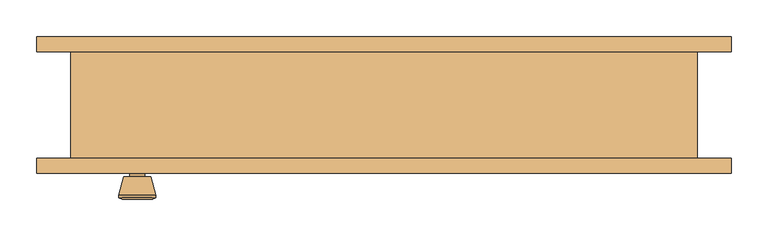
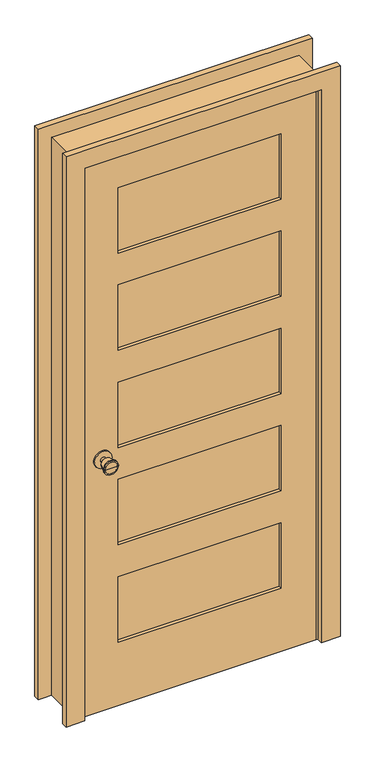
"""IFC4 building model written with IfcOpenShell, lengths in millimetres: door geometry."""

from ifc_helpers import new_model, si_unit, point, frame, frame_2d, origin, place, context, project, spatial, polyline, circle_curve, trimmed, segment, composite_curve, outline, extrude, faceted_brep, source, transform, mapped, element, save
from ifc_brep_helpers import plane_surface, cylinder_surface, revolved_surface, advanced_brep


def door_da6d39d5(model_context):
    return source(origin(), model_context, "Body", "SolidModel", [
        advanced_brep(
        [(-335.0, -28.325, 914.4), (-345.0, -28.325, 914.4), (-325.0, -28.325, 914.4), (-314.5241324, 20.675, 914.4), (-355.4758676, 20.675, 914.4), (-335.0, 20.675, 914.4), (-310.0, 18.8471319, 914.4), (-360.0, 18.8471319, 914.4), (-310.0, 15.3834537, 914.4), (-360.0, 15.3834537, 914.4), (-316.363764, -9.325, 914.4), (-353.636236, -9.325, 914.4), (-325.0, -9.325, 914.4), (-345.0, -9.325, 914.4)],
        [
            (0, 1),
            (1, 2, circle_curve(frame((-335.0, -28.325, 914.4), z_axis=(0.0, -1.0, 0.0), x_axis=(-1.0, 0.0, 0.0)), 10.0)),
            (2, 0),
            (2, 1, circle_curve(frame((-335.0, -28.325, 914.4), z_axis=(0.0, -1.0, 0.0), x_axis=(-1.0, 0.0, 0.0)), 10.0)),
            (3, 4, circle_curve(frame((-335.0, 20.675, 914.4), z_axis=(0.0, 1.0, 0.0), x_axis=(-1.0, 0.0, 0.0)), 20.4758676)),
            (4, 5),
            (5, 3),
            (4, 3, circle_curve(frame((-335.0, 20.675, 914.4), z_axis=(0.0, 1.0, 0.0), x_axis=(-1.0, 0.0, 0.0)), 20.4758676)),
            (6, 7, circle_curve(frame((-335.0, 18.8471319, 914.4), z_axis=(0.0, 1.0, 0.0), x_axis=(-1.0, 0.0, 0.0)), 25.0)),
            (7, 4),
            (3, 6),
            (7, 6, circle_curve(frame((-335.0, 18.8471319, 914.4), z_axis=(0.0, 1.0, 0.0), x_axis=(-1.0, 0.0, 0.0)), 25.0)),
            (8, 9, circle_curve(frame((-335.0, 15.3834537, 914.4), z_axis=(0.0, 1.0, 0.0), x_axis=(-1.0, 0.0, 0.0)), 25.0)),
            (9, 7),
            (6, 8),
            (9, 8, circle_curve(frame((-335.0, 15.3834537, 914.4), z_axis=(0.0, 1.0, 0.0), x_axis=(-1.0, 0.0, 0.0)), 25.0)),
            (10, 11, circle_curve(frame((-335.0, -9.325, 914.4), z_axis=(0.0, 1.0, 0.0), x_axis=(-1.0, 0.0, 0.0)), 18.636236)),
            (11, 9),
            (8, 10),
            (11, 10, circle_curve(frame((-335.0, -9.325, 914.4), z_axis=(0.0, 1.0, 0.0), x_axis=(-1.0, 0.0, 0.0)), 18.636236)),
            (12, 13, circle_curve(frame((-335.0, -9.325, 914.4), z_axis=(0.0, 1.0, 0.0), x_axis=(-1.0, 0.0, 0.0)), 10.0)),
            (13, 11),
            (10, 12),
            (13, 12, circle_curve(frame((-335.0, -9.325, 914.4), z_axis=(0.0, 1.0, 0.0), x_axis=(-1.0, 0.0, 0.0)), 10.0)),
            (1, 13),
            (12, 2),
        ],
        [
            plane_surface(frame((-335.0, -28.325, 914.4), z_axis=(0.0, -1.0, 0.0), x_axis=(-1.0, 0.0, 0.0))),
            plane_surface(frame((-335.0, 20.675, 914.4), z_axis=(0.0, 1.0, 0.0), x_axis=(-1.0, 0.0, 0.0))),
            revolved_surface(polyline([(-355.4758676, 20.675, 914.4), (-360.0, 18.8471319, 914.4)]), (-335.0, -28.325, 914.4), (0.0, -1.0, 0.0)),
            cylinder_surface(frame((-335.0, -28.325, 914.4), z_axis=(0.0, -1.0, 0.0), x_axis=(-1.0, 0.0, 0.0)), 25.0),
            revolved_surface(polyline([(-360.0, 15.3834537, 914.4), (-353.636236, -9.325, 914.4)]), (-335.0, -28.325, 914.4), (0.0, -1.0, 0.0)),
            plane_surface(frame((-335.0, -9.325, 914.4), z_axis=(0.0, -1.0, 0.0), x_axis=(-1.0, 0.0, 0.0))),
            cylinder_surface(frame((-335.0, -28.325, 914.4), z_axis=(0.0, -1.0, 0.0), x_axis=(-1.0, 0.0, 0.0)), 10.0),
        ],
        [
            (0, [[1, 2, 3]]),
            (0, [[-3, 4, -1]]),
            (1, [[5, 6, 7]]),
            (1, [[8, -7, -6]]),
            (2, [[9, 10, -5, 11]]),
            (2, [[12, -11, -8, -10]]),
            (3, [[13, 14, -9, 15]]),
            (3, [[16, -15, -12, -14]]),
            (4, [[17, 18, -13, 19]]),
            (4, [[20, -19, -16, -18]]),
            (5, [[21, 22, -17, 23]]),
            (5, [[24, -23, -20, -22]]),
            (6, [[-2, 25, -21, 26]]),
            (6, [[-4, -26, -24, -25]]),
        ],
    ),
        extrude(outline(composite_curve([segment(trimmed(circle_curve(frame_2d((914.4, -335.0)), 30.0), [point((914.4, -365.0))], [point((914.4, -305.0))], False, "CARTESIAN"), True, "CONTINUOUS"), segment(trimmed(circle_curve(frame_2d((914.4, -335.0)), 30.0), [point((914.4, -305.0))], [point((914.4, -365.0))], False, "CARTESIAN"), True, "CONTINUOUS")], self_intersect=False)), frame((0.0, -34.325, 0.0), z_axis=(0.0, 1.0, 0.0), x_axis=(0.0, 0.0, 1.0)), (0.0, 0.0, 1.0), 6.0),
        advanced_brep(
        [(-335.0, -75.325, 914.4), (-325.0, -75.325, 914.4), (-345.0, -75.325, 914.4), (-314.5241324, -124.325, 914.4), (-335.0, -124.325, 914.4), (-355.4758676, -124.325, 914.4), (-310.0, -122.4971319, 914.4), (-360.0, -122.4971319, 914.4), (-310.0, -119.0334537, 914.4), (-360.0, -119.0334537, 914.4), (-316.363764, -94.325, 914.4), (-353.636236, -94.325, 914.4), (-325.0, -94.325, 914.4), (-345.0, -94.325, 914.4)],
        [
            (0, 1),
            (1, 2, circle_curve(frame((-335.0, -75.325, 914.4), z_axis=(0.0, 1.0, 0.0), x_axis=(-1.0, 0.0, 0.0)), 10.0)),
            (2, 0),
            (2, 1, circle_curve(frame((-335.0, -75.325, 914.4), z_axis=(0.0, 1.0, 0.0), x_axis=(-1.0, 0.0, 0.0)), 10.0)),
            (3, 4),
            (4, 5),
            (5, 3, circle_curve(frame((-335.0, -124.325, 914.4), z_axis=(0.0, -1.0, 0.0), x_axis=(-1.0, 0.0, 0.0)), 20.4758676)),
            (3, 5, circle_curve(frame((-335.0, -124.325, 914.4), z_axis=(0.0, -1.0, 0.0), x_axis=(-1.0, 0.0, 0.0)), 20.4758676)),
            (6, 3),
            (5, 7),
            (7, 6, circle_curve(frame((-335.0, -122.4971319, 914.4), z_axis=(0.0, -1.0, 0.0), x_axis=(-1.0, 0.0, 0.0)), 25.0)),
            (6, 7, circle_curve(frame((-335.0, -122.4971319, 914.4), z_axis=(0.0, -1.0, 0.0), x_axis=(-1.0, 0.0, 0.0)), 25.0)),
            (8, 6),
            (7, 9),
            (9, 8, circle_curve(frame((-335.0, -119.0334537, 914.4), z_axis=(0.0, -1.0, 0.0), x_axis=(-1.0, 0.0, 0.0)), 25.0)),
            (8, 9, circle_curve(frame((-335.0, -119.0334537, 914.4), z_axis=(0.0, -1.0, 0.0), x_axis=(-1.0, 0.0, 0.0)), 25.0)),
            (10, 8),
            (9, 11),
            (11, 10, circle_curve(frame((-335.0, -94.325, 914.4), z_axis=(0.0, -1.0, 0.0), x_axis=(-1.0, 0.0, 0.0)), 18.636236)),
            (10, 11, circle_curve(frame((-335.0, -94.325, 914.4), z_axis=(0.0, -1.0, 0.0), x_axis=(-1.0, 0.0, 0.0)), 18.636236)),
            (12, 10),
            (11, 13),
            (13, 12, circle_curve(frame((-335.0, -94.325, 914.4), z_axis=(0.0, -1.0, 0.0), x_axis=(-1.0, 0.0, 0.0)), 10.0)),
            (12, 13, circle_curve(frame((-335.0, -94.325, 914.4), z_axis=(0.0, -1.0, 0.0), x_axis=(-1.0, 0.0, 0.0)), 10.0)),
            (1, 12),
            (13, 2),
        ],
        [
            plane_surface(frame((-335.0, -75.325, 914.4), z_axis=(0.0, 1.0, 0.0), x_axis=(-1.0, 0.0, 0.0))),
            plane_surface(frame((-335.0, -124.325, 914.4), z_axis=(0.0, -1.0, 0.0), x_axis=(-1.0, 0.0, 0.0))),
            revolved_surface(polyline([(-355.4758676, -124.325, 914.4), (-360.0, -122.4971319, 914.4)]), (-335.0, -75.325, 914.4), (0.0, 1.0, 0.0)),
            cylinder_surface(frame((-335.0, -75.325, 914.4), z_axis=(0.0, 1.0, 0.0), x_axis=(-1.0, 0.0, 0.0)), 25.0),
            revolved_surface(polyline([(-360.0, -119.0334537, 914.4), (-353.636236, -94.325, 914.4)]), (-335.0, -75.325, 914.4), (0.0, 1.0, 0.0)),
            plane_surface(frame((-335.0, -94.325, 914.4), z_axis=(0.0, 1.0, 0.0), x_axis=(-1.0, 0.0, 0.0))),
            cylinder_surface(frame((-335.0, -75.325, 914.4), z_axis=(0.0, 1.0, 0.0), x_axis=(-1.0, 0.0, 0.0)), 10.0),
        ],
        [
            (0, [[1, 2, 3]]),
            (0, [[-3, 4, -1]]),
            (1, [[5, 6, 7]]),
            (1, [[-6, -5, 8]]),
            (2, [[9, -7, 10, 11]]),
            (2, [[-10, -8, -9, 12]]),
            (3, [[13, -11, 14, 15]]),
            (3, [[-14, -12, -13, 16]]),
            (4, [[17, -15, 18, 19]]),
            (4, [[-18, -16, -17, 20]]),
            (5, [[21, -19, 22, 23]]),
            (5, [[-22, -20, -21, 24]]),
            (6, [[25, -23, 26, -2]]),
            (6, [[-26, -24, -25, -4]]),
        ],
    ),
        extrude(outline(composite_curve([segment(trimmed(circle_curve(frame_2d((914.4, -335.0)), 30.0), [point((914.4, -365.0))], [point((914.4, -305.0))], False, "CARTESIAN"), True, "CONTINUOUS"), segment(trimmed(circle_curve(frame_2d((914.4, -335.0)), 30.0), [point((914.4, -305.0))], [point((914.4, -365.0))], False, "CARTESIAN"), True, "CONTINUOUS")], self_intersect=False)), frame((0.0, -75.325, 0.0), z_axis=(0.0, 1.0, 0.0), x_axis=(0.0, 0.0, 1.0)), (0.0, 0.0, 1.0), 6.0),
        extrude(outline(polyline([(280.0, -45.9916667), (280.0, -57.6583333), (-280.0, -57.6583333), (-280.0, -45.9916667), (280.0, -45.9916667)])), frame((0.0, 0.0, 1642.0), z_axis=(0.0, 0.0, 1.0), x_axis=(1.0, 0.0, 0.0)), (0.0, 0.0, 1.0), 238.0),
        extrude(outline(polyline([(280.0, -45.9916667), (280.0, -57.6583333), (-280.0, -57.6583333), (-280.0, -45.9916667), (280.0, -45.9916667)])), frame((0.0, 0.0, 1289.0), z_axis=(0.0, 0.0, 1.0), x_axis=(1.0, 0.0, 0.0)), (0.0, 0.0, 1.0), 238.0),
        extrude(outline(polyline([(280.0, -45.9916667), (280.0, -57.6583333), (-280.0, -57.6583333), (-280.0, -45.9916667), (280.0, -45.9916667)])), frame((0.0, 0.0, 583.0), z_axis=(0.0, 0.0, 1.0), x_axis=(1.0, 0.0, 0.0)), (0.0, 0.0, 1.0), 238.0),
        extrude(outline(polyline([(280.0, -45.9916667), (280.0, -57.6583333), (-280.0, -57.6583333), (-280.0, -45.9916667), (280.0, -45.9916667)])), frame((0.0, 0.0, 230.0), z_axis=(0.0, 0.0, 1.0), x_axis=(1.0, 0.0, 0.0)), (0.0, 0.0, 1.0), 238.0),
        extrude(outline(polyline([(280.0, -45.9916667), (280.0, -57.6583333), (-280.0, -57.6583333), (-280.0, -45.9916667), (280.0, -45.9916667)])), frame((0.0, 0.0, 936.0), z_axis=(0.0, 0.0, 1.0), x_axis=(1.0, 0.0, 0.0)), (0.0, 0.0, 1.0), 238.0),
        extrude(outline(polyline([(2000.0, -400.0), (0.0, -400.0), (0.0, 400.0), (2000.0, 400.0), (2000.0, -400.0)]), holes=[polyline([(1880.0, -280.0), (1880.0, 280.0), (1642.0, 280.0), (1642.0, -280.0), (1880.0, -280.0)]), polyline([(468.0, -280.0), (468.0, 280.0), (230.0, 280.0), (230.0, -280.0), (468.0, -280.0)]), polyline([(1174.0, -280.0), (1174.0, 280.0), (936.0, 280.0), (936.0, -280.0), (1174.0, -280.0)]), polyline([(1527.0, -280.0), (1527.0, 280.0), (1289.0, 280.0), (1289.0, -280.0), (1527.0, -280.0)]), polyline([(821.0, -280.0), (821.0, 280.0), (583.0, 280.0), (583.0, -280.0), (821.0, -280.0)])]), frame((0.0, -69.325, 0.0), z_axis=(0.0, 1.0, 0.0), x_axis=(0.0, 0.0, 1.0)), (0.0, 0.0, 1.0), 35.0),
        faceted_brep([(425.0, -69.325, 0.0), (400.0, -69.325, 0.0), (400.0, -34.325, 0.0), (387.3, -34.325, 0.0), (387.3, 0.6, 0.0), (400.0, 0.6, 0.0), (400.0, 75.675, 0.0), (425.0, 75.675, 0.0), (425.0, 75.675, 2025.0), (425.0, -69.325, 2025.0), (400.0, 75.675, 2000.0), (-400.0, 75.675, 2000.0), (-400.0, 75.675, 0.0), (-425.0, 75.675, 0.0), (-425.0, 75.675, 2025.0), (400.0, 0.6, 2000.0), (387.3, 0.6, 1987.3), (-387.3, 0.6, 1987.3), (-387.3, 0.6, 0.0), (-400.0, 0.6, 0.0), (-400.0, 0.6, 2000.0), (387.3, -34.325, 1987.3), (400.0, -34.325, 2000.0), (-400.0, -34.325, 2000.0), (-400.0, -34.325, 0.0), (-387.3, -34.325, 0.0), (-387.3, -34.325, 1987.3), (400.0, -69.325, 2000.0), (-425.0, -69.325, 2025.0), (-425.0, -69.325, 0.0), (-400.0, -69.325, 0.0), (-400.0, -69.325, 2000.0)], [[[0, 1, 2, 3, 4, 5, 6, 7]], [[7, 8, 9, 0]], [[6, 10, 11, 12, 13, 14, 8, 7]], [[5, 15, 10, 6]], [[4, 16, 17, 18, 19, 20, 15, 5]], [[3, 21, 16, 4]], [[2, 22, 23, 24, 25, 26, 21, 3]], [[1, 27, 22, 2]], [[0, 9, 28, 29, 30, 31, 27, 1]], [[8, 14, 28, 9]], [[15, 20, 11, 10]], [[21, 26, 17, 16]], [[27, 31, 23, 22]], [[29, 13, 12, 19, 18, 25, 24, 30]], [[14, 13, 29, 28]], [[20, 19, 12, 11]], [[26, 25, 18, 17]], [[31, 30, 24, 23]]]),
        extrude(outline(polyline([(0.0, 471.35), (2071.35, 471.35), (2071.35, -471.35), (0.0, -471.35), (0.0, -406.35), (2006.35, -406.35), (2006.35, 406.35), (0.0, 406.35), (0.0, 471.35)])), frame((0.0, 75.675, 0.0), z_axis=(0.0, 1.0, 0.0), x_axis=(0.0, 0.0, 1.0)), (0.0, 0.0, 1.0), 20.0),
        extrude(outline(polyline([(0.0, 471.35), (2071.35, 471.35), (2071.35, -471.35), (0.0, -471.35), (0.0, -406.35), (2006.35, -406.35), (2006.35, 406.35), (0.0, 406.35), (0.0, 471.35)])), frame((0.0, -89.325, 0.0), z_axis=(0.0, 1.0, 0.0), x_axis=(0.0, 0.0, 1.0)), (0.0, 0.0, 1.0), 20.0),
    ])


if __name__ == "__main__":
    model = new_model("IFC4")
    model_context = context("Model", 3, world=origin())
    ifc_project = project(units=[si_unit("LENGTHUNIT", "METRE", prefix="MILLI")], contexts=[model_context])
    site = spatial("IfcSite", under=ifc_project)
    building = spatial("IfcBuilding", under=site)
    placement = place(None, origin())
    door_shape = door_da6d39d5(model_context)
    element("IfcDoor", 1, at=placement, inside=building, context=model_context, shape_type="MappedRepresentation", body=[
        mapped(door_shape, transform((0.0, 0.0, 0.0), x_axis=(1.0, 0.0, 0.0), y_axis=(0.0, 1.0, 0.0), z_axis=(0.0, 0.0, 1.0))),
    ])
    save(model, "model.ifc")
